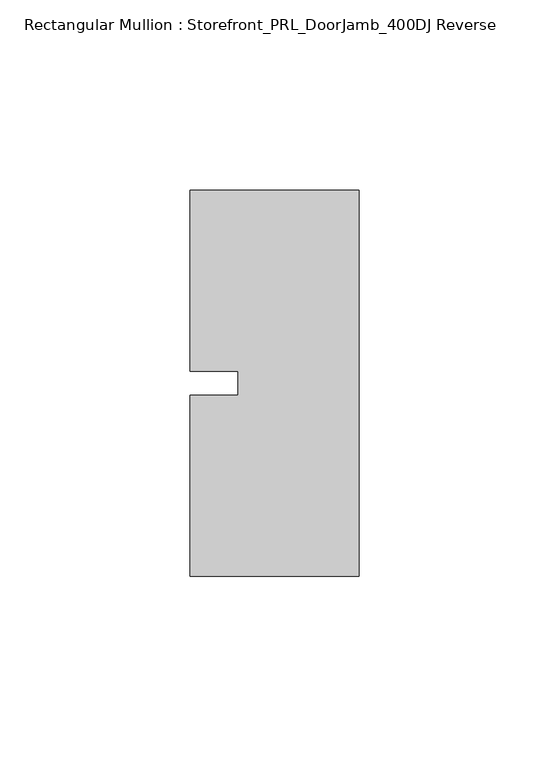
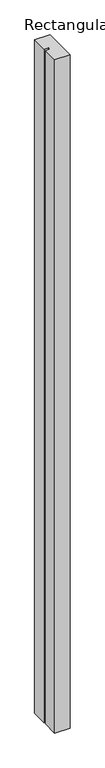
"""IFC4 building model written with IfcOpenShell, lengths in millimetres: member geometry, Rectangular Mullion : Storefront_PRL_DoorJamb_400DJ Reverse."""

import ifcopenshell
import ifcopenshell.guid

model = None  # the IFC model being written
_history = None  # IfcOwnerHistory: only IFC2X3 demands one
_inside = {}  # id of a spatial element -> (the spatial element, [elements in it])
_under = {}  # id of a project, library or spatial element -> (it, [spatial elements below it])
_declared = {}  # id of a project -> (the project, [libraries it declares])
_typed = {}  # id of a type object -> (the type object, [elements of that type])
_made_of = {}  # id of a material, layer set ... -> (it, [elements and type objects made of it])


def new_model(schema):
    """Start an empty IFC model of exactly this schema.

    Asked for "IFC4X3", IfcOpenShell would pick the latest addendum, in which some entities
    have other attributes; the version numbers below select the first issue.
    IFC2X3 requires an IfcOwnerHistory on every rooted entity: one is made here for all.
    """
    global model, _history
    if schema == "IFC4X3":
        model = ifcopenshell.file(schema_version=(4, 3, 0, 0))
    else:
        model = ifcopenshell.file(schema=schema)
    _inside.clear()
    _under.clear()
    _declared.clear()
    _typed.clear()
    _made_of.clear()
    _history = None
    if model.schema == "IFC2X3":
        org = make("IfcOrganization", Name="unknown")
        user = make(
            "IfcPersonAndOrganization",
            ThePerson=make("IfcPerson", FamilyName="unknown"),
            TheOrganization=org,
        )
        app = make(
            "IfcApplication",
            ApplicationDeveloper=org,
            Version="unknown",
            ApplicationFullName="unknown",
            ApplicationIdentifier="unknown",
        )
        _history = make(
            "IfcOwnerHistory",
            OwningUser=user,
            OwningApplication=app,
            ChangeAction="ADDED",
            CreationDate=0,
        )
    return model


def make(cls, **values):
    """One entity of the class cls with the attributes given. An attribute that is None is left unset."""
    return model.create_entity(
        cls, **{name: value for name, value in values.items() if value is not None}
    )


def rooted(cls, **values):
    """An entity with a GlobalId (a new one), such as an element, a storey or a relation."""
    return make(cls, GlobalId=ifcopenshell.guid.new(), OwnerHistory=_history, **values)


def si_unit(unit_type, name, prefix=None):
    """IfcSIUnit, for example si_unit("LENGTHUNIT", "METRE", prefix="MILLI")."""
    return make("IfcSIUnit", UnitType=unit_type, Prefix=prefix, Name=name)


def assignment(units):
    """IfcUnitAssignment: the units of a project."""
    return None if units is None else make("IfcUnitAssignment", Units=units)


def point(xyz):
    """IfcCartesianPoint."""
    return None if xyz is None else make("IfcCartesianPoint", Coordinates=xyz)


def direction(xyz):
    """IfcDirection."""
    return None if xyz is None else make("IfcDirection", DirectionRatios=xyz)


def frame(location, z_axis=None, x_axis=None):
    """IfcAxis2Placement3D, a coordinate frame: its origin and axes. An axis left out is left unset."""
    return make(
        "IfcAxis2Placement3D",
        Location=point(location),
        Axis=direction(z_axis),
        RefDirection=direction(x_axis),
    )


def origin():
    """The frame at (0, 0, 0) with its axes left unset."""
    return frame((0.0, 0.0, 0.0))


def place(relative_to, where):
    """IfcLocalPlacement: puts the frame where relative to a parent placement (None: the world)."""
    return make(
        "IfcLocalPlacement", PlacementRelTo=relative_to, RelativePlacement=where
    )


def context(
    kind, dimensions, precision=None, world=None, true_north=None, identifier=None
):
    """IfcGeometricRepresentationContext, for example the 3D "Model" context."""
    return make(
        "IfcGeometricRepresentationContext",
        ContextIdentifier=identifier,
        ContextType=kind,
        CoordinateSpaceDimension=dimensions,
        Precision=precision,
        WorldCoordinateSystem=world,
        TrueNorth=true_north,
    )


def project(units=None, contexts=None):
    """IfcProject with its units and contexts."""
    return rooted(
        "IfcProject",
        Name="project",
        RepresentationContexts=contexts,
        UnitsInContext=assignment(units),
    )


def spatial(cls, under=None, at=None, **own):
    """A site, building, storey or space (cls), placed at a placement, below another one or the project."""
    s = rooted(cls, ObjectPlacement=at, **own)
    if under is not None:
        _under.setdefault(under.id(), (under, []))[1].append(s)
    return s


def polyline(points):
    """IfcPolyline through the points."""
    return make("IfcPolyline", Points=[point(p) for p in points])


def outline(outer, holes=None, kind="AREA"):
    """IfcArbitraryClosedProfileDef: a profile drawn as a closed curve; with holes, ...WithVoids."""
    if holes is None:
        return make("IfcArbitraryClosedProfileDef", ProfileType=kind, OuterCurve=outer)
    return make(
        "IfcArbitraryProfileDefWithVoids",
        ProfileType=kind,
        OuterCurve=outer,
        InnerCurves=holes,
    )


def extrude(swept, where, along, depth):
    """IfcExtrudedAreaSolid: the profile swept, set in the frame where, extruded along a direction by depth."""
    return make(
        "IfcExtrudedAreaSolid",
        SweptArea=swept,
        Position=where,
        ExtrudedDirection=direction(along),
        Depth=depth,
    )


def shape(context_of_items, identifier, shape_type, items):
    """IfcShapeRepresentation: the items that make up one representation, for example the "Body"."""
    return make(
        "IfcShapeRepresentation",
        ContextOfItems=context_of_items,
        RepresentationIdentifier=identifier,
        RepresentationType=shape_type,
        Items=items,
    )


def source(mapping_origin, context_of_items, identifier, shape_type, items):
    """IfcRepresentationMap: a shape defined once, which mapped items show again and again."""
    return make(
        "IfcRepresentationMap",
        MappingOrigin=mapping_origin,
        MappedRepresentation=shape(context_of_items, identifier, shape_type, items),
    )


def transform(
    local_origin,
    x_axis=None,
    y_axis=None,
    z_axis=None,
    scale=None,
    scale2=None,
    scale3=None,
    uniform=True,
):
    """IfcCartesianTransformationOperator3D, or its non-uniform kind. x_axis, y_axis, z_axis: its Axis1, 2, 3."""
    if uniform:
        return make(
            "IfcCartesianTransformationOperator3D",
            Axis1=direction(x_axis),
            Axis2=direction(y_axis),
            LocalOrigin=point(local_origin),
            Scale=scale,
            Axis3=direction(z_axis),
        )
    return make(
        "IfcCartesianTransformationOperator3DnonUniform",
        Axis1=direction(x_axis),
        Axis2=direction(y_axis),
        LocalOrigin=point(local_origin),
        Scale=scale,
        Axis3=direction(z_axis),
        Scale2=scale2,
        Scale3=scale3,
    )


def mapped(mapping_source, mapping_target):
    """IfcMappedItem: shows the shape of a source again, moved by a transform."""
    return make(
        "IfcMappedItem", MappingSource=mapping_source, MappingTarget=mapping_target
    )


def made_of(thing, what):
    """Note that an element or type object is made of a material, layer set ...; save() writes the relation."""
    if what is not None:
        _made_of.setdefault(what.id(), (what, []))[1].append(thing)
    return thing


def element(
    cls,
    number,
    at=None,
    inside=None,
    cuts=None,
    type_object=None,
    material=None,
    context=None,
    identifier="Body",
    shape_type=None,
    held_by="IfcProductDefinitionShape",
    body=None,
    shapes=None,
    **own,
):
    """One element of the class cls, such as IfcWall. Its Tag is "e" and its number.

    at: its placement. inside: the storey or other place that contains it. cuts: it is an
    opening in that element (IfcRelVoidsElement). A single representation is given by context,
    identifier, shape_type and body (its items); several are given by shapes. held_by: the class
    of the entity that holds the representations. save() writes the other relations.
    """
    e = rooted(cls, Tag="e%d" % number, ObjectPlacement=at, **own)
    if body is not None:
        shapes = [shape(context, identifier, shape_type, body)]
    if shapes is not None:
        e.Representation = make(held_by, Representations=shapes)
    if inside is not None:
        _inside.setdefault(inside.id(), (inside, []))[1].append(e)
    if cuts is not None:
        rooted(
            "IfcRelVoidsElement", RelatingBuildingElement=cuts, RelatedOpeningElement=e
        )
    if type_object is not None:
        _typed.setdefault(type_object.id(), (type_object, []))[1].append(e)
    return made_of(e, material)


def aggregate(whole, parts):
    """IfcRelAggregates: a whole, such as a stair, and the parts it consists of."""
    return rooted("IfcRelAggregates", RelatingObject=whole, RelatedObjects=parts)


def save(model, path):
    """Write the relations noted so far, then the file.

    IfcRelAggregates (storeys below a building ...), IfcRelContainedInSpatialStructure (elements
    in a storey), IfcRelDefinesByType, IfcRelAssociatesMaterial and IfcRelDeclares: one each for
    every whole, place, type object, material and project.
    """
    for whole, parts in _under.values():
        aggregate(whole, parts)
    for where, things in _inside.values():
        rooted(
            "IfcRelContainedInSpatialStructure",
            RelatedElements=things,
            RelatingStructure=where,
        )
    for kind, things in _typed.values():
        rooted("IfcRelDefinesByType", RelatedObjects=things, RelatingType=kind)
    for what, things in _made_of.values():
        rooted("IfcRelAssociatesMaterial", RelatedObjects=things, RelatingMaterial=what)
    for by, libraries in _declared.values():
        rooted("IfcRelDeclares", RelatingContext=by, RelatedDefinitions=libraries)
    model.write(path)


def rectangular_mullion_storefront_prl_doorjamb_400dj_reverse_4054e87b(model_context):
    return source(origin(), model_context, "Body", "SweptSolid", [
        extrude(outline(polyline([(-9.525, -3.175), (-9.525, 3.175), (-22.225, 3.175), (-22.225, 50.8), (22.225, 50.8), (22.225, -50.8), (-22.225, -50.8), (-22.225, -3.175), (-9.525, -3.175)])), frame((0.0, 0.0, -2082.8), z_axis=(0.0, 0.0, 1.0), x_axis=(1.0, 0.0, 0.0)), (0.0, 0.0, 1.0), 2082.8),
    ])


if __name__ == "__main__":
    model = new_model("IFC4")
    model_context = context("Model", 3, world=origin())
    ifc_project = project(units=[si_unit("LENGTHUNIT", "METRE", prefix="MILLI")], contexts=[model_context])
    site = spatial("IfcSite", under=ifc_project)
    building = spatial("IfcBuilding", under=site)
    placement = place(None, origin())
    rectangular_mullion_storefront_prl_doorjamb_400dj_reverse_shape = rectangular_mullion_storefront_prl_doorjamb_400dj_reverse_4054e87b(model_context)
    element("IfcMember", 1, ObjectType="Rectangular Mullion : Storefront_PRL_DoorJamb_400DJ Reverse", at=placement, inside=building, context=model_context, shape_type="MappedRepresentation", body=[
        mapped(rectangular_mullion_storefront_prl_doorjamb_400dj_reverse_shape, transform((0.0, 0.0, 0.0), x_axis=(1.0, 0.0, 0.0), y_axis=(0.0, 1.0, 0.0), z_axis=(0.0, 0.0, 1.0))),
    ])
    save(model, "model.ifc")
